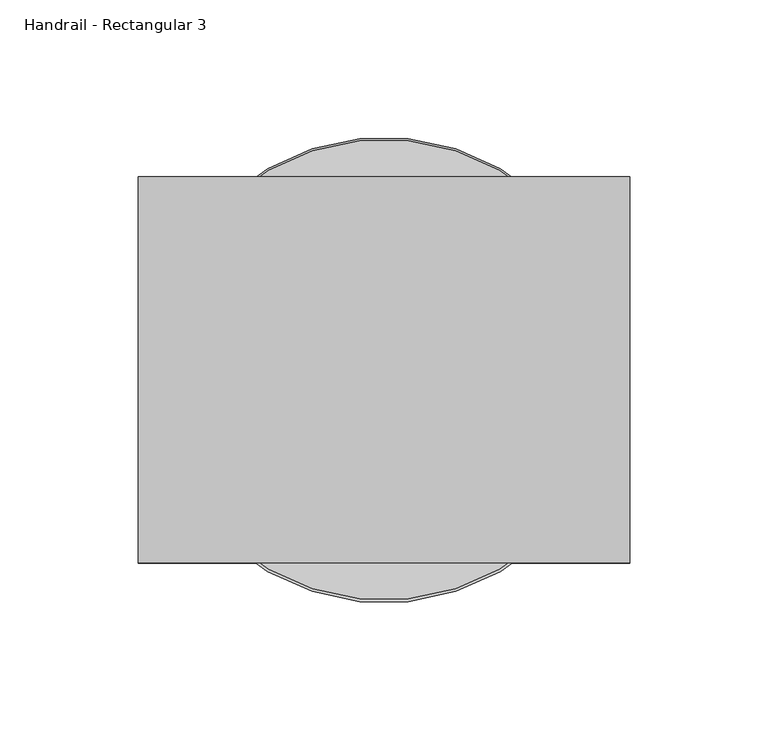
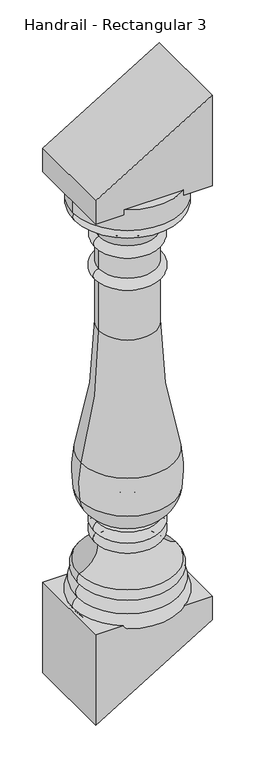
"""IFC4 building model written with IfcOpenShell, lengths in millimetres: railing geometry, Handrail - Rectangular 3."""

from ifc_helpers import new_model, si_unit, point, frame, origin, place, context, project, spatial, polyline, circle_curve, ellipse_curve, trimmed, outline, extrude, source, transform, mapped, element, save
from ifc_brep_helpers import plane_surface, cylinder_surface, revolved_surface, advanced_brep


def handrail_rectangular_3_c1f1c1f2(model_context):
    return source(origin(), model_context, "Body", "SolidModel", [
        advanced_brep(
        [(8516.9589638, 4021.0919589, 1072.4265176), (8683.6464638, 4021.0919589, 1072.4265176), (8683.6464638, 4021.0919589, 1105.7640176), (8516.9589638, 4021.0919589, 1105.7640176), (8520.1339638, 4021.0919589, 1072.4265176), (8680.4714638, 4021.0919589, 1072.4265176), (8520.1339638, 4021.0919589, 1058.1390176), (8680.4714638, 4021.0919589, 1058.1390176), (8556.6464638, 4021.0919589, 1020.0390176), (8643.9589638, 4021.0919589, 1020.0390176), (8556.6464638, 4021.0919589, 1000.9890176), (8643.9589638, 4021.0919589, 1000.9890176), (8556.6464638, 4021.0919589, 967.6515176), (8643.9589638, 4021.0919589, 967.6515176), (8556.6464638, 4021.0919589, 950.1890176), (8643.9589638, 4021.0919589, 950.1890176), (8556.6464638, 4021.0919589, 867.6390176), (8643.9589638, 4021.0919589, 867.6390176), (8529.4579463, 4021.0919589, 663.3205761), (8671.1474812, 4021.0919589, 663.3205761), (8528.2675903, 4021.0919589, 602.7783309), (8672.3378373, 4021.0919589, 602.7783309), (8555.4786488, 4021.0919589, 563.9426861), (8645.1267787, 4021.0919589, 563.9426861), (8553.7533671, 4021.0919589, 559.4603261), (8646.8520604, 4021.0919589, 559.4603261), (8552.6777138, 4021.0919589, 542.2015176), (8647.9277138, 4021.0919589, 542.2015176), (8555.8527138, 4021.0919589, 524.7390176), (8644.7527138, 4021.0919589, 524.7390176), (8526.4839638, 4021.0919589, 485.0515176), (8674.1214638, 4021.0919589, 485.0515176), (8527.2777138, 4021.0919589, 467.5890176), (8673.3277138, 4021.0919589, 467.5890176), (8523.3089638, 4021.0919589, 448.5390176), (8677.2964638, 4021.0919589, 448.5390176), (8520.1339638, 4021.0919589, 426.3140176), (8680.4714638, 4021.0919589, 426.3140176), (8600.3027138, 4021.0919589, 426.3140176), (8600.3027138, 4021.0919589, 1105.7640176)],
        [
            (0, 1, circle_curve(frame((8600.3027138, 4021.0919589, 1072.4265176), z_axis=(0.0, 0.0, 1.0), x_axis=(1.0, 0.0, 0.0)), 83.34375)),
            (1, 2),
            (2, 3, circle_curve(frame((8600.3027138, 4021.0919589, 1105.7640176), z_axis=(0.0, 0.0, -1.0), x_axis=(1.0, 0.0, 0.0)), 83.34375)),
            (3, 0),
            (1, 0, circle_curve(frame((8600.3027138, 4021.0919589, 1072.4265176), z_axis=(0.0, 0.0, 1.0), x_axis=(1.0, 0.0, 0.0)), 83.34375)),
            (3, 2, circle_curve(frame((8600.3027138, 4021.0919589, 1105.7640176), z_axis=(0.0, 0.0, -1.0), x_axis=(1.0, 0.0, 0.0)), 83.34375)),
            (4, 5, circle_curve(frame((8600.3027138, 4021.0919589, 1072.4265176), z_axis=(0.0, 0.0, 1.0), x_axis=(1.0, 0.0, 0.0)), 80.16875)),
            (5, 1),
            (0, 4),
            (5, 4, circle_curve(frame((8600.3027138, 4021.0919589, 1072.4265176), z_axis=(0.0, 0.0, 1.0), x_axis=(1.0, 0.0, 0.0)), 80.16875)),
            (6, 7, circle_curve(frame((8600.3027138, 4021.0919589, 1058.1390176), z_axis=(0.0, 0.0, 1.0), x_axis=(1.0, 0.0, 0.0)), 80.16875)),
            (7, 5, circle_curve(frame((8674.022245, 4021.0919589, 1065.2827676), z_axis=(0.0, -1.0, 0.0), x_axis=(1.0, 0.0, 0.0)), 9.6242187)),
            (4, 6, circle_curve(frame((8526.5831825, 4021.0919589, 1065.2827676), z_axis=(0.0, -1.0, 0.0), x_axis=(-1.0, 0.0, 0.0)), 9.6242187)),
            (7, 6, circle_curve(frame((8600.3027138, 4021.0919589, 1058.1390176), z_axis=(0.0, 0.0, 1.0), x_axis=(1.0, 0.0, 0.0)), 80.16875)),
            (8, 9, circle_curve(frame((8600.3027138, 4021.0919589, 1020.0390176), z_axis=(0.0, 0.0, 1.0), x_axis=(1.0, 0.0, 0.0)), 43.65625)),
            (9, 7, circle_curve(frame((8699.3757682, 4021.0919589, 1003.4768195), z_axis=(0.0, 1.0, 0.0), x_axis=(1.0, 0.0, 0.0)), 57.8388159)),
            (6, 8, circle_curve(frame((8501.2296593, 4021.0919589, 1003.4768195), z_axis=(0.0, 1.0, 0.0), x_axis=(-1.0, 0.0, 0.0)), 57.8388159)),
            (9, 8, circle_curve(frame((8600.3027138, 4021.0919589, 1020.0390176), z_axis=(0.0, 0.0, 1.0), x_axis=(1.0, 0.0, 0.0)), 43.65625)),
            (10, 11, circle_curve(frame((8600.3027138, 4021.0919589, 1000.9890176), z_axis=(0.0, 0.0, 1.0), x_axis=(1.0, 0.0, 0.0)), 43.65625)),
            (11, 9, circle_curve(frame((8642.2127138, 4021.0919589, 1010.5140176), z_axis=(0.0, -1.0, 0.0), x_axis=(1.0, 0.0, 0.0)), 9.68375)),
            (8, 10, circle_curve(frame((8558.3927138, 4021.0919589, 1010.5140176), z_axis=(0.0, -1.0, 0.0), x_axis=(-1.0, 0.0, 0.0)), 9.68375)),
            (11, 10, circle_curve(frame((8600.3027138, 4021.0919589, 1000.9890176), z_axis=(0.0, 0.0, 1.0), x_axis=(1.0, 0.0, 0.0)), 43.65625)),
            (12, 13, circle_curve(frame((8600.3027138, 4021.0919589, 967.6515176), z_axis=(0.0, 0.0, 1.0), x_axis=(1.0, 0.0, 0.0)), 43.65625)),
            (13, 11),
            (10, 12),
            (13, 12, circle_curve(frame((8600.3027138, 4021.0919589, 967.6515176), z_axis=(0.0, 0.0, 1.0), x_axis=(1.0, 0.0, 0.0)), 43.65625)),
            (14, 15, circle_curve(frame((8600.3027138, 4021.0919589, 950.1890176), z_axis=(0.0, 0.0, 1.0), x_axis=(1.0, 0.0, 0.0)), 43.65625)),
            (15, 13, circle_curve(frame((8643.9589638, 4021.0919589, 958.9202676), z_axis=(0.0, -1.0, 0.0), x_axis=(1.0, 0.0, 0.0)), 8.73125)),
            (12, 14, circle_curve(frame((8556.6464638, 4021.0919589, 958.9202676), z_axis=(0.0, -1.0, 0.0), x_axis=(-1.0, 0.0, 0.0)), 8.73125)),
            (15, 14, circle_curve(frame((8600.3027138, 4021.0919589, 950.1890176), z_axis=(0.0, 0.0, 1.0), x_axis=(1.0, 0.0, 0.0)), 43.65625)),
            (16, 17, circle_curve(frame((8600.3027138, 4021.0919589, 867.6390176), z_axis=(0.0, 0.0, 1.0), x_axis=(1.0, 0.0, 0.0)), 43.65625)),
            (17, 15),
            (14, 16),
            (17, 16, circle_curve(frame((8600.3027138, 4021.0919589, 867.6390176), z_axis=(0.0, 0.0, 1.0), x_axis=(1.0, 0.0, 0.0)), 43.65625)),
            (18, 19, circle_curve(frame((8600.3027138, 4021.0919589, 663.3205761), z_axis=(0.0, 0.0, 1.0), x_axis=(1.0, 0.0, 0.0)), 70.8447675)),
            (19, 17, circle_curve(frame((9378.7357133, 4021.0919589, 861.4470655), z_axis=(0.0, 1.0, 0.0), x_axis=(1.0, 0.0, 0.0)), 734.8028389)),
            (16, 18, circle_curve(frame((7821.8697142, 4021.0919589, 861.4470655), z_axis=(0.0, 1.0, 0.0), x_axis=(-1.0, 0.0, 0.0)), 734.8028389)),
            (19, 18, circle_curve(frame((8600.3027138, 4021.0919589, 663.3205761), z_axis=(0.0, 0.0, 1.0), x_axis=(1.0, 0.0, 0.0)), 70.8447675)),
            (20, 21, circle_curve(frame((8600.3027138, 4021.0919589, 602.7783309), z_axis=(0.0, 0.0, 1.0), x_axis=(1.0, 0.0, 0.0)), 72.0351235)),
            (21, 19, circle_curve(frame((8513.2488591, 4021.0919589, 629.9332155), z_axis=(0.0, -1.0, 0.0), x_axis=(1.0, 0.0, 0.0)), 161.3898718)),
            (18, 20, circle_curve(frame((8687.3565684, 4021.0919589, 629.9332155), z_axis=(0.0, -1.0, 0.0), x_axis=(-1.0, 0.0, 0.0)), 161.3898718)),
            (21, 20, circle_curve(frame((8600.3027138, 4021.0919589, 602.7783309), z_axis=(0.0, 0.0, 1.0), x_axis=(1.0, 0.0, 0.0)), 72.0351235)),
            (22, 23, circle_curve(frame((8600.3027138, 4021.0919589, 563.9426861), z_axis=(0.0, 0.0, 1.0), x_axis=(1.0, 0.0, 0.0)), 44.8240649)),
            (23, 21, circle_curve(frame((8622.6078154, 4021.0919589, 608.6719379), z_axis=(0.0, -1.0, 0.0), x_axis=(1.0, 0.0, 0.0)), 50.0780358)),
            (20, 22, circle_curve(frame((8577.9976121, 4021.0919589, 608.6719379), z_axis=(0.0, -1.0, 0.0), x_axis=(-1.0, 0.0, 0.0)), 50.0780358)),
            (23, 22, circle_curve(frame((8600.3027138, 4021.0919589, 563.9426861), z_axis=(0.0, 0.0, 1.0), x_axis=(1.0, 0.0, 0.0)), 44.8240649)),
            (24, 25, circle_curve(frame((8600.3027138, 4021.0919589, 559.4603261), z_axis=(0.0, 0.0, 1.0), x_axis=(1.0, 0.0, 0.0)), 46.5493467)),
            (25, 23, circle_curve(frame((8647.9277138, 4021.0919589, 562.4475648), z_axis=(0.0, 1.0, 0.0), x_axis=(1.0, 0.0, 0.0)), 3.175)),
            (22, 24, circle_curve(frame((8552.6777138, 4021.0919589, 562.4475648), z_axis=(0.0, 1.0, 0.0), x_axis=(-1.0, 0.0, 0.0)), 3.175)),
            (25, 24, circle_curve(frame((8600.3027138, 4021.0919589, 559.4603261), z_axis=(0.0, 0.0, 1.0), x_axis=(1.0, 0.0, 0.0)), 46.5493467)),
            (26, 27, circle_curve(frame((8600.3027138, 4021.0919589, 542.2015176), z_axis=(0.0, 0.0, 1.0), x_axis=(1.0, 0.0, 0.0)), 47.625)),
            (27, 25, circle_curve(frame((8642.851349, 4021.0919589, 550.5480579), z_axis=(0.0, -1.0, 0.0), x_axis=(1.0, 0.0, 0.0)), 9.7690437)),
            (24, 26, circle_curve(frame((8557.7540785, 4021.0919589, 550.5480579), z_axis=(0.0, -1.0, 0.0), x_axis=(-1.0, 0.0, 0.0)), 9.7690437)),
            (27, 26, circle_curve(frame((8600.3027138, 4021.0919589, 542.2015176), z_axis=(0.0, 0.0, 1.0), x_axis=(1.0, 0.0, 0.0)), 47.625)),
            (28, 29, circle_curve(frame((8600.3027138, 4021.0919589, 524.7390176), z_axis=(0.0, 0.0, 1.0), x_axis=(1.0, 0.0, 0.0)), 44.45)),
            (29, 27, circle_curve(frame((8643.3140419, 4021.0919589, 534.0204806), z_axis=(0.0, -1.0, 0.0), x_axis=(1.0, 0.0, 0.0)), 9.3923018)),
            (26, 28, circle_curve(frame((8557.2913856, 4021.0919589, 534.0204806), z_axis=(0.0, -1.0, 0.0), x_axis=(-1.0, 0.0, 0.0)), 9.3923018)),
            (29, 28, circle_curve(frame((8600.3027138, 4021.0919589, 524.7390176), z_axis=(0.0, 0.0, 1.0), x_axis=(1.0, 0.0, 0.0)), 44.45)),
            (30, 31, circle_curve(frame((8600.3027138, 4021.0919589, 485.0515176), z_axis=(0.0, 0.0, 1.0), x_axis=(1.0, 0.0, 0.0)), 73.81875)),
            (31, 29, circle_curve(frame((8686.2529671, 4021.0919589, 524.7390176), z_axis=(0.0, 1.0, 0.0), x_axis=(1.0, 0.0, 0.0)), 41.5002534)),
            (28, 30, circle_curve(frame((8514.3524604, 4021.0919589, 524.7390176), z_axis=(0.0, 1.0, 0.0), x_axis=(-1.0, 0.0, 0.0)), 41.5002534)),
            (31, 30, circle_curve(frame((8600.3027138, 4021.0919589, 485.0515176), z_axis=(0.0, 0.0, 1.0), x_axis=(1.0, 0.0, 0.0)), 73.81875)),
            (32, 33, circle_curve(frame((8600.3027138, 4021.0919589, 467.5890176), z_axis=(0.0, 0.0, 1.0), x_axis=(1.0, 0.0, 0.0)), 73.025)),
            (33, 31, circle_curve(frame((8664.8169499, 4021.0919589, 476.7251602), z_axis=(0.0, -1.0, 0.0), x_axis=(1.0, 0.0, 0.0)), 12.4860804)),
            (30, 32, circle_curve(frame((8535.7884776, 4021.0919589, 476.7251602), z_axis=(0.0, -1.0, 0.0), x_axis=(-1.0, 0.0, 0.0)), 12.4860804)),
            (33, 32, circle_curve(frame((8600.3027138, 4021.0919589, 467.5890176), z_axis=(0.0, 0.0, 1.0), x_axis=(1.0, 0.0, 0.0)), 73.025)),
            (34, 35, circle_curve(frame((8600.3027138, 4021.0919589, 448.5390176), z_axis=(0.0, 0.0, 1.0), x_axis=(1.0, 0.0, 0.0)), 76.99375)),
            (35, 33, circle_curve(frame((8666.6529979, 4021.0919589, 456.2600403), z_axis=(0.0, -1.0, 0.0), x_axis=(1.0, 0.0, 0.0)), 13.1490516)),
            (32, 34, circle_curve(frame((8533.9524297, 4021.0919589, 456.2600403), z_axis=(0.0, -1.0, 0.0), x_axis=(-1.0, 0.0, 0.0)), 13.1490516)),
            (35, 34, circle_curve(frame((8600.3027138, 4021.0919589, 448.5390176), z_axis=(0.0, 0.0, 1.0), x_axis=(1.0, 0.0, 0.0)), 76.99375)),
            (36, 37, circle_curve(frame((8600.3027138, 4021.0919589, 426.3140176), z_axis=(0.0, 0.0, 1.0), x_axis=(1.0, 0.0, 0.0)), 80.16875)),
            (37, 35, circle_curve(frame((8670.322803, 4021.0919589, 436.2034946), z_axis=(0.0, -1.0, 0.0), x_axis=(1.0, 0.0, 0.0)), 14.1702883)),
            (34, 36, circle_curve(frame((8530.2826245, 4021.0919589, 436.2034946), z_axis=(0.0, -1.0, 0.0), x_axis=(-1.0, 0.0, 0.0)), 14.1702883)),
            (37, 36, circle_curve(frame((8600.3027138, 4021.0919589, 426.3140176), z_axis=(0.0, 0.0, 1.0), x_axis=(1.0, 0.0, 0.0)), 80.16875)),
            (38, 37),
            (36, 38),
            (2, 39),
            (39, 3),
        ],
        [
            cylinder_surface(frame((8600.3027138, 4021.0919589, 1054.9640176), z_axis=(0.0, 0.0, -1.0), x_axis=(1.0, 0.0, 0.0)), 83.34375),
            plane_surface(frame((8600.3027138, 4021.0919589, 1072.4265176), z_axis=(0.0, 0.0, -1.0), x_axis=(1.0, 0.0, 0.0))),
            revolved_surface(trimmed(ellipse_curve(frame((8674.022245, 4021.0919589, 1065.2827676), z_axis=(0.0, 1.0, 0.0), x_axis=(1.0, 0.0, 0.0)), 9.6242187, 9.6242187), [point((8680.4714638, 4021.0919589, 1072.4265176))], [point((8680.4714638, 4021.0919589, 1058.1390176))], True, "CARTESIAN"), (8600.3027138, 4021.0919589, 1054.9640176), (0.0, 0.0, -1.0)),
            revolved_surface(trimmed(ellipse_curve(frame((8699.3757682, 4021.0919589, 1003.4768195), z_axis=(0.0, -1.0, 0.0), x_axis=(1.0, 0.0, 0.0)), 57.8388159, 57.8388159), [point((8680.4714638, 4021.0919589, 1058.1390176))], [point((8643.9589638, 4021.0919589, 1020.0390176))], True, "CARTESIAN"), (8600.3027138, 4021.0919589, 1054.9640176), (0.0, 0.0, -1.0)),
            revolved_surface(trimmed(ellipse_curve(frame((8642.2127138, 4021.0919589, 1010.5140176), z_axis=(0.0, 1.0, 0.0), x_axis=(1.0, 0.0, 0.0)), 9.68375, 9.68375), [point((8643.9589638, 4021.0919589, 1020.0390176))], [point((8643.9589638, 4021.0919589, 1000.9890176))], True, "CARTESIAN"), (8600.3027138, 4021.0919589, 1054.9640176), (0.0, 0.0, -1.0)),
            cylinder_surface(frame((8600.3027138, 4021.0919589, 1054.9640176), z_axis=(0.0, 0.0, -1.0), x_axis=(1.0, 0.0, 0.0)), 43.65625),
            revolved_surface(trimmed(ellipse_curve(frame((8643.9589638, 4021.0919589, 958.9202676), z_axis=(0.0, 1.0, 0.0), x_axis=(1.0, 0.0, 0.0)), 8.73125, 8.73125), [point((8643.9589638, 4021.0919589, 967.6515176))], [point((8643.9589638, 4021.0919589, 950.1890176))], True, "CARTESIAN"), (8600.3027138, 4021.0919589, 1054.9640176), (0.0, 0.0, -1.0)),
            revolved_surface(trimmed(ellipse_curve(frame((9378.7357133, 4021.0919589, 861.4470655), z_axis=(0.0, -1.0, 0.0), x_axis=(1.0, 0.0, 0.0)), 734.8028389, 734.8028389), [point((8643.9589638, 4021.0919589, 867.6390176))], [point((8671.1474812, 4021.0919589, 663.3205761))], True, "CARTESIAN"), (8600.3027138, 4021.0919589, 1054.9640176), (0.0, 0.0, -1.0)),
            revolved_surface(trimmed(ellipse_curve(frame((8513.2488591, 4021.0919589, 629.9332155), z_axis=(0.0, 1.0, 0.0), x_axis=(1.0, 0.0, 0.0)), 161.3898718, 161.3898718), [point((8671.1474812, 4021.0919589, 663.3205761))], [point((8672.3378373, 4021.0919589, 602.7783309))], True, "CARTESIAN"), (8600.3027138, 4021.0919589, 1054.9640176), (0.0, 0.0, -1.0)),
            revolved_surface(trimmed(ellipse_curve(frame((8622.6078154, 4021.0919589, 608.6719379), z_axis=(0.0, 1.0, 0.0), x_axis=(1.0, 0.0, 0.0)), 50.0780358, 50.0780358), [point((8672.3378373, 4021.0919589, 602.7783309))], [point((8645.1267787, 4021.0919589, 563.9426861))], True, "CARTESIAN"), (8600.3027138, 4021.0919589, 1054.9640176), (0.0, 0.0, -1.0)),
            revolved_surface(trimmed(ellipse_curve(frame((8647.9277138, 4021.0919589, 562.4475648), z_axis=(0.0, -1.0, 0.0), x_axis=(1.0, 0.0, 0.0)), 3.175, 3.175), [point((8645.1267787, 4021.0919589, 563.9426861))], [point((8646.8520604, 4021.0919589, 559.4603261))], True, "CARTESIAN"), (8600.3027138, 4021.0919589, 1054.9640176), (0.0, 0.0, -1.0)),
            revolved_surface(trimmed(ellipse_curve(frame((8642.851349, 4021.0919589, 550.5480579), z_axis=(0.0, 1.0, 0.0), x_axis=(1.0, 0.0, 0.0)), 9.7690437, 9.7690437), [point((8646.8520604, 4021.0919589, 559.4603261))], [point((8647.9277138, 4021.0919589, 542.2015176))], True, "CARTESIAN"), (8600.3027138, 4021.0919589, 1054.9640176), (0.0, 0.0, -1.0)),
            revolved_surface(trimmed(ellipse_curve(frame((8643.3140419, 4021.0919589, 534.0204806), z_axis=(0.0, 1.0, 0.0), x_axis=(1.0, 0.0, 0.0)), 9.3923018, 9.3923018), [point((8647.9277138, 4021.0919589, 542.2015176))], [point((8644.7527138, 4021.0919589, 524.7390176))], True, "CARTESIAN"), (8600.3027138, 4021.0919589, 1054.9640176), (0.0, 0.0, -1.0)),
            revolved_surface(trimmed(ellipse_curve(frame((8686.2529671, 4021.0919589, 524.7390176), z_axis=(0.0, -1.0, 0.0), x_axis=(1.0, 0.0, 0.0)), 41.5002534, 41.5002534), [point((8644.7527138, 4021.0919589, 524.7390176))], [point((8674.1214638, 4021.0919589, 485.0515176))], True, "CARTESIAN"), (8600.3027138, 4021.0919589, 1054.9640176), (0.0, 0.0, -1.0)),
            revolved_surface(trimmed(ellipse_curve(frame((8664.8169499, 4021.0919589, 476.7251602), z_axis=(0.0, 1.0, 0.0), x_axis=(1.0, 0.0, 0.0)), 12.4860804, 12.4860804), [point((8674.1214638, 4021.0919589, 485.0515176))], [point((8673.3277138, 4021.0919589, 467.5890176))], True, "CARTESIAN"), (8600.3027138, 4021.0919589, 1054.9640176), (0.0, 0.0, -1.0)),
            revolved_surface(trimmed(ellipse_curve(frame((8666.6529979, 4021.0919589, 456.2600403), z_axis=(0.0, 1.0, 0.0), x_axis=(1.0, 0.0, 0.0)), 13.1490516, 13.1490516), [point((8673.3277138, 4021.0919589, 467.5890176))], [point((8677.2964638, 4021.0919589, 448.5390176))], True, "CARTESIAN"), (8600.3027138, 4021.0919589, 1054.9640176), (0.0, 0.0, -1.0)),
            revolved_surface(trimmed(ellipse_curve(frame((8670.322803, 4021.0919589, 436.2034946), z_axis=(0.0, 1.0, 0.0), x_axis=(1.0, 0.0, 0.0)), 14.1702883, 14.1702883), [point((8677.2964638, 4021.0919589, 448.5390176))], [point((8680.4714638, 4021.0919589, 426.3140176))], True, "CARTESIAN"), (8600.3027138, 4021.0919589, 1054.9640176), (0.0, 0.0, -1.0)),
            plane_surface(frame((8600.3027138, 4021.0919589, 426.3140176), z_axis=(0.0, 0.0, -1.0), x_axis=(1.0, 0.0, 0.0))),
            plane_surface(frame((8600.3027138, 4021.0919589, 1105.7640176), z_axis=(0.0, 0.0, 1.0), x_axis=(1.0, 0.0, 0.0))),
        ],
        [
            (0, [[1, 2, 3, 4]]),
            (0, [[5, -4, 6, -2]]),
            (1, [[7, 8, -1, 9]]),
            (1, [[10, -9, -5, -8]]),
            (2, [[11, 12, -7, 13]]),
            (2, [[14, -13, -10, -12]]),
            (3, [[15, 16, -11, 17]]),
            (3, [[18, -17, -14, -16]]),
            (4, [[19, 20, -15, 21]]),
            (4, [[22, -21, -18, -20]]),
            (5, [[23, 24, -19, 25]]),
            (5, [[26, -25, -22, -24]]),
            (6, [[27, 28, -23, 29]]),
            (6, [[30, -29, -26, -28]]),
            (5, [[31, 32, -27, 33]]),
            (5, [[34, -33, -30, -32]]),
            (7, [[35, 36, -31, 37]]),
            (7, [[38, -37, -34, -36]]),
            (8, [[39, 40, -35, 41]]),
            (8, [[42, -41, -38, -40]]),
            (9, [[43, 44, -39, 45]]),
            (9, [[46, -45, -42, -44]]),
            (10, [[47, 48, -43, 49]]),
            (10, [[50, -49, -46, -48]]),
            (11, [[51, 52, -47, 53]]),
            (11, [[54, -53, -50, -52]]),
            (12, [[55, 56, -51, 57]]),
            (12, [[58, -57, -54, -56]]),
            (13, [[59, 60, -55, 61]]),
            (13, [[62, -61, -58, -60]]),
            (14, [[63, 64, -59, 65]]),
            (14, [[66, -65, -62, -64]]),
            (15, [[67, 68, -63, 69]]),
            (15, [[70, -69, -66, -68]]),
            (16, [[71, 72, -67, 73]]),
            (16, [[74, -73, -70, -72]]),
            (17, [[75, -71, 76]]),
            (17, [[-76, -74, -75]]),
            (18, [[-3, 77, 78]]),
            (18, [[-6, -78, -77]]),
        ],
    ),
        extrude(outline(polyline([(434.1090909, 8689.2027138), (434.1090909, 8511.4027138), (288.155303, 8511.4027138), (395.9128788, 8689.2027138), (434.1090909, 8689.2027138)])), frame((0.0, 3951.2419589, 0.0), z_axis=(0.0, 1.0, 0.0), x_axis=(0.0, 0.0, 1.0)), (0.0, 0.0, 1.0), 139.7),
        extrude(outline(polyline([(1097.9689442, 8511.4027138), (1097.9689442, 8689.2027138), (1243.9227321, 8689.2027138), (1136.1651563, 8511.4027138), (1097.9689442, 8511.4027138)])), frame((0.0, 3951.2419589, 0.0), z_axis=(0.0, 1.0, 0.0), x_axis=(0.0, 0.0, 1.0)), (0.0, 0.0, 1.0), 139.7),
    ])


if __name__ == "__main__":
    model = new_model("IFC4")
    model_context = context("Model", 3, world=origin())
    ifc_project = project(units=[si_unit("LENGTHUNIT", "METRE", prefix="MILLI")], contexts=[model_context])
    site = spatial("IfcSite", under=ifc_project)
    building = spatial("IfcBuilding", under=site)
    placement = place(None, origin())
    handrail_rectangular_3_shape = handrail_rectangular_3_c1f1c1f2(model_context)
    element("IfcRailing", 1, ObjectType="Handrail - Rectangular 3", at=placement, inside=building, context=model_context, shape_type="MappedRepresentation", body=[
        mapped(handrail_rectangular_3_shape, transform((0.0, 0.0, 0.0), x_axis=(1.0, 0.0, 0.0), y_axis=(0.0, 1.0, 0.0), z_axis=(0.0, 0.0, 1.0))),
    ])
    save(model, "model.ifc")
